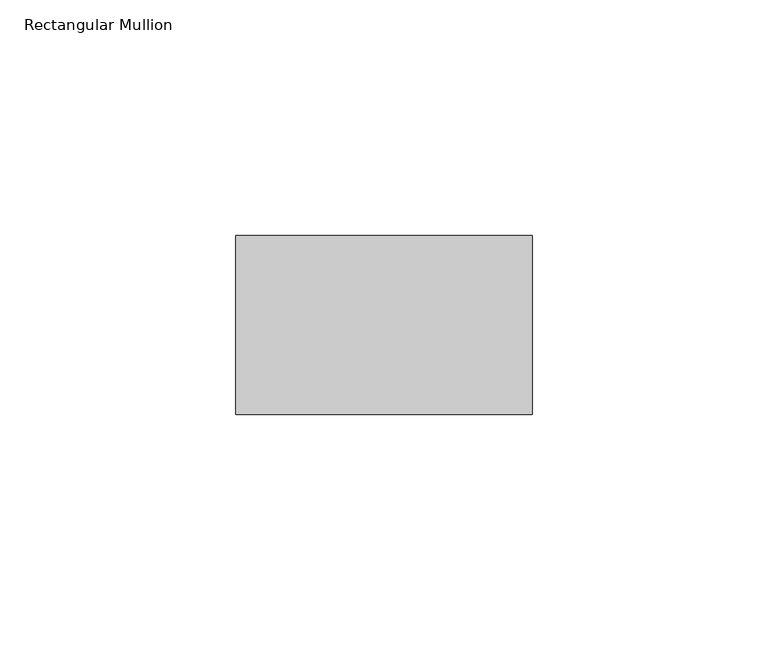
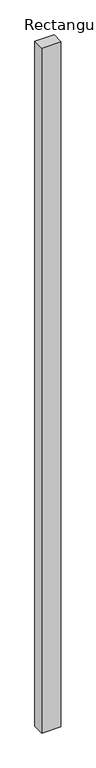
"""IFC4 building model written with IfcOpenShell, lengths in millimetres: member geometry, Rectangular Mullion."""

from ifc_helpers import new_model, si_unit, frame, origin, place, context, project, spatial, polyline, outline, extrude, source, transform, mapped, element, save


def rectangular_mullion_204b3cdc(model_context):
    return source(origin(), model_context, "Body", "SweptSolid", [
        extrude(outline(polyline([(0.0, 48.0), (0.0, 10.0), (-63.0, 10.0), (-63.0, 48.0), (0.0, 48.0)])), frame((0.0, 0.0, -2360.0), z_axis=(0.0, 0.0, 1.0), x_axis=(1.0, 0.0, 0.0)), (0.0, 0.0, 1.0), 2360.0),
    ])


if __name__ == "__main__":
    model = new_model("IFC4")
    model_context = context("Model", 3, world=origin())
    ifc_project = project(units=[si_unit("LENGTHUNIT", "METRE", prefix="MILLI")], contexts=[model_context])
    site = spatial("IfcSite", under=ifc_project)
    building = spatial("IfcBuilding", under=site)
    placement = place(None, origin())
    rectangular_mullion_shape = rectangular_mullion_204b3cdc(model_context)
    element("IfcMember", 1, ObjectType="Rectangular Mullion", at=placement, inside=building, context=model_context, shape_type="MappedRepresentation", body=[
        mapped(rectangular_mullion_shape, transform((0.0, 0.0, 0.0), x_axis=(1.0, 0.0, 0.0), y_axis=(0.0, 1.0, 0.0), z_axis=(0.0, 0.0, 1.0))),
    ])
    save(model, "model.ifc")
